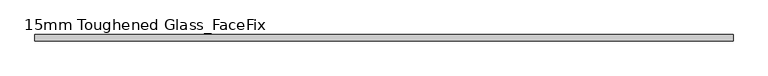
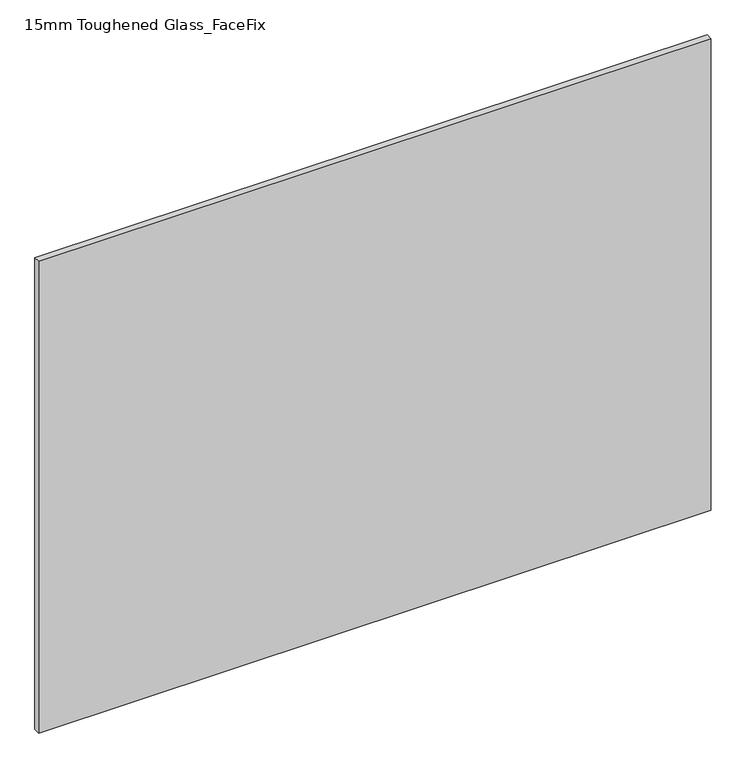
"""IFC4 building model written with IfcOpenShell, lengths in millimetres: plate geometry, 15mm Toughened Glass_FaceFix."""

from ifc_helpers import new_model, si_unit, origin, origin_with_axes, place, context, project, spatial, polyline, outline, extrude, source, transform, mapped, element, save


def plate_15mm_toughened_glass_facefix_b15946c5(model_context):
    return source(origin(), model_context, "Body", "SweptSolid", [
        extrude(outline(polyline([(795.0000001, -24.5), (795.0000001, -39.5), (-795.0000001, -39.5), (-795.0000001, -24.5), (795.0000001, -24.5)])), origin_with_axes(), (0.0, 0.0, 1.0), 1179.0),
    ])


if __name__ == "__main__":
    model = new_model("IFC4")
    model_context = context("Model", 3, world=origin())
    ifc_project = project(units=[si_unit("LENGTHUNIT", "METRE", prefix="MILLI")], contexts=[model_context])
    site = spatial("IfcSite", under=ifc_project)
    building = spatial("IfcBuilding", under=site)
    placement = place(None, origin())
    plate_15mm_toughened_glass_facefix_shape = plate_15mm_toughened_glass_facefix_b15946c5(model_context)
    element("IfcPlate", 1, ObjectType="15mm Toughened Glass_FaceFix", at=placement, inside=building, context=model_context, shape_type="MappedRepresentation", body=[
        mapped(plate_15mm_toughened_glass_facefix_shape, transform((0.0, 0.0, 0.0), x_axis=(1.0, 0.0, 0.0), y_axis=(0.0, 1.0, 0.0), z_axis=(0.0, 0.0, 1.0))),
    ])
    save(model, "model.ifc")
